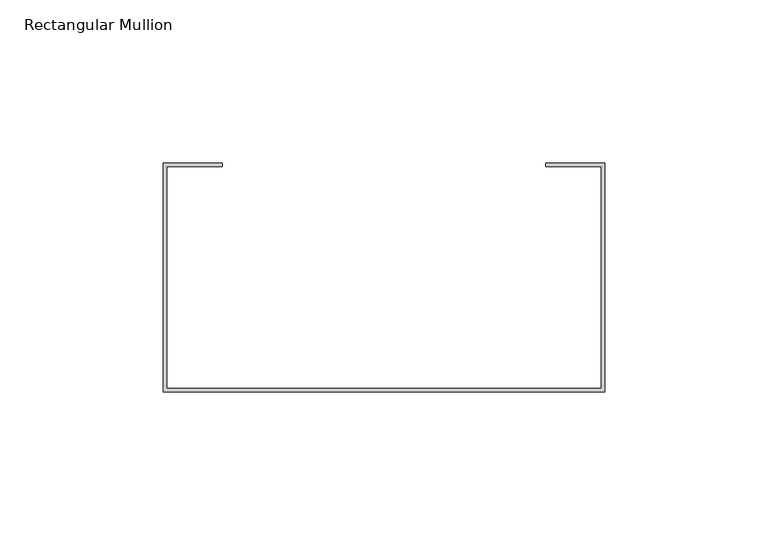
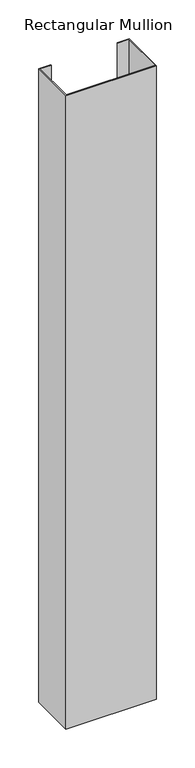
"""IFC4 building model written with IfcOpenShell, lengths in millimetres: member geometry, Rectangular Mullion."""

from ifc_helpers import new_model, si_unit, frame, origin, place, context, project, spatial, polyline, outline, extrude, source, transform, mapped, element, save


def rectangular_mullion_fda7f5da(model_context):
    return source(origin(), model_context, "Body", "SweptSolid", [
        extrude(outline(polyline([(-67.5, 24.9842182), (-67.5, 94.9842182), (-49.5, 94.9842182), (-49.5, 93.9842182), (-66.5, 93.9842182), (-66.5, 25.9842182), (66.5, 25.9842182), (66.5, 93.9842182), (49.5, 93.9842182), (49.5, 94.9842182), (67.5, 94.9842182), (67.5, 24.9842182), (-67.5, 24.9842182)])), frame((0.0, 0.0, -1000.0000003), z_axis=(0.0, 0.0, 1.0), x_axis=(1.0, 0.0, 0.0)), (0.0, 0.0, 1.0), 1000.0000003),
    ])


if __name__ == "__main__":
    model = new_model("IFC4")
    model_context = context("Model", 3, world=origin())
    ifc_project = project(units=[si_unit("LENGTHUNIT", "METRE", prefix="MILLI")], contexts=[model_context])
    site = spatial("IfcSite", under=ifc_project)
    building = spatial("IfcBuilding", under=site)
    placement = place(None, origin())
    rectangular_mullion_shape = rectangular_mullion_fda7f5da(model_context)
    element("IfcMember", 1, ObjectType="Rectangular Mullion", at=placement, inside=building, context=model_context, shape_type="MappedRepresentation", body=[
        mapped(rectangular_mullion_shape, transform((0.0, 0.0, 0.0), x_axis=(1.0, 0.0, 0.0), y_axis=(0.0, 1.0, 0.0), z_axis=(0.0, 0.0, 1.0))),
    ])
    save(model, "model.ifc")
